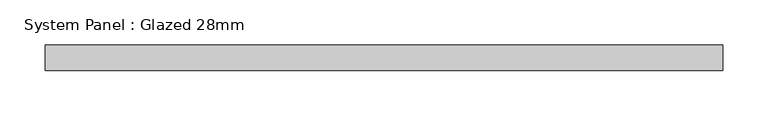
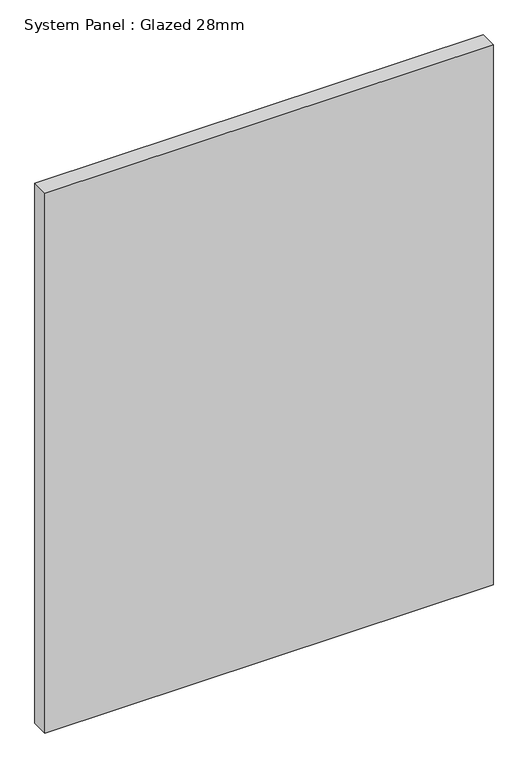
"""IFC4 building model written with IfcOpenShell, lengths in millimetres: plate geometry, System Panel : Glazed 28mm."""

from ifc_helpers import new_model, si_unit, origin, origin_with_axes, place, context, project, spatial, polyline, outline, extrude, source, transform, mapped, element, save


def system_panel_glazed_28mm_90ed57ee(model_context):
    return source(origin(), model_context, "Body", "SweptSolid", [
        extrude(outline(polyline([(372.5468442, -14.0), (-372.5468442, -14.0), (-372.5468442, 14.0), (372.5468442, 14.0), (372.5468442, -14.0)])), origin_with_axes(), (0.0, 0.0, 1.0), 948.6820471),
    ])


if __name__ == "__main__":
    model = new_model("IFC4")
    model_context = context("Model", 3, world=origin())
    ifc_project = project(units=[si_unit("LENGTHUNIT", "METRE", prefix="MILLI")], contexts=[model_context])
    site = spatial("IfcSite", under=ifc_project)
    building = spatial("IfcBuilding", under=site)
    placement = place(None, origin())
    system_panel_glazed_28mm_shape = system_panel_glazed_28mm_90ed57ee(model_context)
    element("IfcPlate", 1, ObjectType="System Panel : Glazed 28mm", at=placement, inside=building, context=model_context, shape_type="MappedRepresentation", body=[
        mapped(system_panel_glazed_28mm_shape, transform((0.0, 0.0, 0.0), x_axis=(1.0, 0.0, 0.0), y_axis=(0.0, 1.0, 0.0), z_axis=(0.0, 0.0, 1.0))),
    ])
    save(model, "model.ifc")
